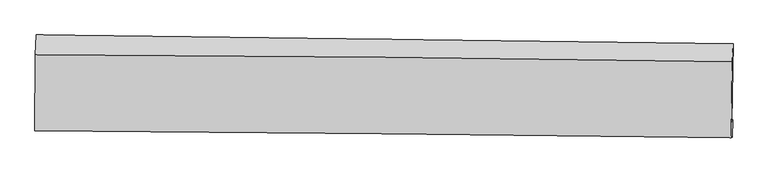
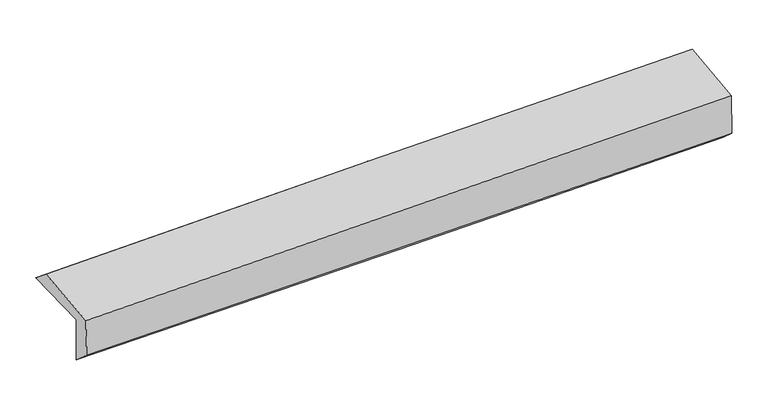
"""IFC4 building model written with IfcOpenShell, lengths in millimetres: proxy geometry."""

from ifc_helpers import new_model, si_unit, frame, origin, place, context, project, spatial, source, transform, mapped, element, save
from ifc_brep_helpers import plane_surface, spline_curve, spline_surface, advanced_brep


def generic_models_a9971b02(model_context):
    return source(origin(), model_context, "Body", "AdvancedBrep", [
        advanced_brep(
        [(-2995.330772, -1756.8629074, 1960.8009053), (-2989.0752167, -1097.7768928, 1968.6485298), (2985.2896027, -1172.7277864, 2119.5349634), (2973.5920764, -1842.1448287, 2120.7748642), (-2986.0641958, -1739.5323429, 1554.1443998), (2983.1107255, -1824.3428316, 1703.0563334), (-2991.1447936, -1916.2262029, 1704.1790897), (2977.5002777, -1976.1515716, 1837.5089653), (-2998.9389441, -1920.2794936, 2050.8093313), (2969.2435297, -1980.4924066, 2208.6290977), (-2993.892348, -1269.6276393, 2109.0186814), (2979.3002654, -1329.8759853, 2266.95263)],
        [
            (0, 1),
            (1, 2, spline_curve(3, [(-2989.0752167, -1097.7768928, 1968.6485298), (-1993.502925175, -1108.680583398, 1988.80898504), (-997.95634594, -1120.376876046, 2011.459956344), (993.498615171, -1145.35984912, 2061.753365937), (1989.406975698, -1158.64718754, 2089.397872878), (2985.2896027, -1172.7277864, 2119.5349634)], [4, 2, 4], [0.0, 9.798231575657287, 19.600530260620342])),
            (2, 3),
            (3, 0, spline_curve(3, [(2973.5920764, -1842.1448287, 2120.7748642), (1978.771466707, -1829.550392939, 2085.978693082), (983.847690353, -1816.144704959, 2055.247521462), (-1005.793344912, -1787.716725046, 2001.926240901), (-2000.510517937, -1772.695105541, 1979.332759563), (-2995.330772, -1756.8629074, 1960.8009053)], [4, 2, 4], [0.0, 9.802298684963056, 19.600530260620342])),
            (4, 0),
            (3, 5),
            (5, 4, spline_curve(3, [(2983.1107255, -1824.3428316, 1703.0563334), (1988.171770018, -1811.969728306, 1673.453667632), (993.167818426, -1798.71398637, 1646.240927703), (-996.557209156, -1770.44309124, 1596.605599425), (-1991.278231503, -1755.428670356, 1574.181027853), (-2986.0641958, -1739.5323429, 1554.1443998)], [4, 2, 4], [0.0, 9.798114926696075, 19.592164479985552])),
            (6, 4),
            (5, 7),
            (7, 6, spline_curve(3, [(2977.5002777, -1976.1515716, 1837.5089653), (1982.738715217, -1963.013256739, 1809.282091664), (987.867614347, -1951.449609186, 1784.056149046), (-1001.680833517, -1931.47579258, 1739.615346619), (-1996.358089865, -1923.064317405, 1720.397997471), (-2991.1447936, -1916.2262029, 1704.1790897)], [4, 2, 4], [0.0, 9.797050168756178, 19.590035405888557])),
            (8, 6),
            (7, 9),
            (9, 8, spline_curve(3, [(2969.2435297, -1980.4924066, 2208.6290977), (1974.441099835, -1967.366222105, 2181.463691129), (979.588135027, -1955.784666224, 2154.72670075), (-1009.806065004, -1935.714976636, 2102.120467441), (-2004.347257975, -1927.225561603, 2076.250869003), (-2998.9389441, -1920.2794936, 2050.8093313)], [4, 2, 4], [0.0, 9.7961761975991, 19.588287826197124])),
            (10, 8),
            (9, 11),
            (11, 10, spline_curve(3, [(2979.3002654, -1329.8759853, 2266.95263), (1983.587356301, -1313.42116902, 2240.062933901), (987.861561619, -1300.172688689, 2213.454250418), (-1003.202653868, -1280.092566935, 2160.809834297), (-1998.541063408, -1273.25826519, 2134.773867768), (-2993.892348, -1269.6276393, 2109.0186814)], [4, 2, 4], [0.0, 9.800423282436117, 19.596780233696915])),
            (1, 10),
            (11, 2),
        ],
        [
            spline_surface(3, 3, [[(-2995.330772, -1756.8629074, 1960.8009053), (-2000.510517948, -1772.695105507, 1979.332759693), (-1005.793344816, -1787.716724933, 2001.926240975), (983.847690257, -1816.144705072, 2055.247521389), (1978.771466565, -1829.550392787, 2085.978693081), (2973.5920764, -1842.1448287, 2120.7748642)], [(-2993.245586913, -1537.167569204, 1963.416780109), (-1998.174653713, -1551.356931487, 1982.491501475), (-1003.181011866, -1565.270108648, 2005.104146056), (987.064665232, -1592.549753097, 2057.416136294), (1982.316636266, -1605.915991117, 2087.118419656), (2977.491251808, -1619.005814626, 2120.361563917)], [(-2991.160401787, -1317.472230996, 1966.032654991), (-1995.83878944, -1330.018757455, 1985.650243329), (-1000.568678909, -1342.823492334, 2008.282051117), (990.281640216, -1368.954801093, 2059.584751178), (1985.861806043, -1382.28158937, 2088.258146279), (2981.390427292, -1395.866800474, 2119.948263683)], [(-2989.0752167, -1097.7768928, 1968.6485298), (-1993.502925205, -1108.680583434, 1988.808985111), (-997.95634596, -1120.376876049, 2011.459956198), (993.498615191, -1145.359849117, 2061.753366083), (1989.406975744, -1158.6471877, 2089.397872854), (2985.2896027, -1172.7277864, 2119.5349634)]], [4, 4], [4, 2, 4], [0.0, 2.1954339182586575], [0.0, 9.798231575657287, 19.600530260620342]),
            spline_surface(3, 3, [[(-2986.0641958, -1739.5323429, 1554.1443998), (-1991.278231378, -1755.428670265, 1574.181028013), (-996.557209223, -1770.443091225, 1596.605599359), (993.167818493, -1798.713986385, 1646.240927769), (1988.171770055, -1811.969728378, 1673.453667573), (2983.1107255, -1824.3428316, 1703.0563334)], [(-2989.153054519, -1745.309197732, 1689.696568329), (-1994.355660221, -1761.184148677, 1709.231605268), (-999.635921062, -1776.200969127, 1731.712479909), (990.061109106, -1804.524225946, 1782.576458987), (1985.038335561, -1817.829949852, 1810.962009409), (2979.937842469, -1830.276830638, 1842.295843666)], [(-2992.241913281, -1751.086052568, 1825.248736771), (-1997.433089105, -1766.939627095, 1844.282182438), (-1002.714632977, -1781.958847031, 1866.819360426), (986.954399644, -1810.334465511, 1918.911990171), (1981.90490106, -1823.690171313, 1948.470351245), (2976.764959431, -1836.210829662, 1981.535353934)], [(-2995.330772, -1756.8629074, 1960.8009053), (-2000.510517948, -1772.695105507, 1979.332759693), (-1005.793344816, -1787.716724933, 2001.926240975), (983.847690257, -1816.144705072, 2055.247521389), (1978.771466565, -1829.550392787, 2085.978693081), (2973.5920764, -1842.1448287, 2120.7748642)]], [4, 4], [4, 2, 4], [0.0, 1.3374001588701385], [0.0, 9.794049553289478, 19.592164479985552]),
            spline_surface(3, 3, [[(-2991.1447936, -1916.2262029, 1704.1790897), (-1996.35808972, -1923.064317441, 1720.397997607), (-1001.680833579, -1931.475792648, 1739.615346776), (987.867614409, -1951.449609118, 1784.056148889), (1982.738715351, -1963.013256808, 1809.282091617), (2977.5002777, -1976.1515716, 1837.5089653)], [(-2989.451261016, -1857.328249584, 1654.167526379), (-1994.664803622, -1867.1857684, 1671.659007721), (-999.9729588, -1877.798225498, 1691.945430977), (989.634349097, -1900.537734865, 1738.117741856), (1984.549733587, -1912.665413987, 1764.005950288), (2979.370426967, -1925.548658256, 1792.691421352)], [(-2987.757728384, -1798.430296216, 1604.155963121), (-1992.971517476, -1811.307219306, 1622.920017899), (-998.265084002, -1824.120658375, 1644.275515158), (991.401083805, -1849.625860638, 1692.179334802), (1986.36075182, -1862.317571198, 1718.729808902), (2981.240576233, -1874.945744944, 1747.873877348)], [(-2986.0641958, -1739.5323429, 1554.1443998), (-1991.278231378, -1755.428670265, 1574.181028013), (-996.557209223, -1770.443091225, 1596.605599359), (993.167818493, -1798.713986385, 1646.240927769), (1988.171770055, -1811.969728378, 1673.453667573), (2983.1107255, -1824.3428316, 1703.0563334)]], [4, 4], [4, 2, 4], [0.0, 0.6909625455529055], [0.0, 9.79298523713238, 19.590035405888557]),
            spline_surface(3, 3, [[(-2998.9389441, -1920.2794936, 2050.8093313), (-2004.347258051, -1927.225561499, 2076.250869112), (-1009.806064926, -1935.714976685, 2102.120467416), (979.58813495, -1955.784666175, 2154.726700775), (1974.441099726, -1967.366221989, 2181.463691277), (2969.2435297, -1980.4924066, 2208.6290977)], [(-2996.340893926, -1918.928396701, 1935.265917438), (-2001.684201932, -1925.838480147, 1957.633245282), (-1007.097654494, -1934.301915346, 1981.285427192), (982.347961419, -1954.339647163, 2031.169850136), (1977.206971601, -1965.915233597, 2057.40315805), (2971.995779033, -1979.045461602, 2084.922386893)], [(-2993.742843774, -1917.577299799, 1819.722503562), (-1999.021145838, -1924.451398793, 1839.015621437), (-1004.389244011, -1932.888853987, 1860.450387), (985.107787939, -1952.894628131, 1907.612999528), (1979.972843477, -1964.464245199, 1933.342624844), (2974.748028367, -1977.598516598, 1961.215676107)], [(-2991.1447936, -1916.2262029, 1704.1790897), (-1996.35808972, -1923.064317441, 1720.397997607), (-1001.680833579, -1931.475792648, 1739.615346776), (987.867614409, -1951.449609118, 1784.056148889), (1982.738715351, -1963.013256808, 1809.282091617), (2977.5002777, -1976.1515716, 1837.5089653)]], [4, 4], [4, 2, 4], [0.0, 1.2031048018941903], [0.0, 9.792111628598024, 19.588287826197124]),
            spline_surface(3, 3, [[(-2993.892348, -1269.6276393, 2109.0186814), (-1998.54106334, -1273.258265128, 2134.773867833), (-1003.202653705, -1280.092566899, 2160.809834162), (987.861561456, -1300.172688726, 2213.454250553), (1983.58735628, -1313.421168992, 2240.062933754), (2979.3002654, -1329.8759853, 2266.95263)], [(-2995.574546695, -1486.511590714, 2089.615564709), (-2000.476461572, -1491.247363898, 2115.266201602), (-1005.403790768, -1498.633370167, 2141.246711901), (985.103752631, -1518.710014549, 2193.878400614), (1980.538604113, -1531.402853323, 2220.529852932), (2975.948020184, -1546.748125732, 2247.51145257)], [(-2997.256745405, -1703.395542186, 2070.212447991), (-2002.411859819, -1709.236462728, 2095.758535343), (-1007.604927863, -1717.174173416, 2121.683589677), (982.345943774, -1737.247340352, 2174.302550714), (1977.489851893, -1749.384537658, 2200.996772099), (2972.595774916, -1763.620266168, 2228.07027513)], [(-2998.9389441, -1920.2794936, 2050.8093313), (-2004.347258051, -1927.225561499, 2076.250869112), (-1009.806064926, -1935.714976685, 2102.120467416), (979.58813495, -1955.784666175, 2154.726700775), (1974.441099726, -1967.366221989, 2181.463691277), (2969.2435297, -1980.4924066, 2208.6290977)]], [4, 4], [4, 2, 4], [0.0, 2.159719664870227], [0.0, 9.796356951260798, 19.596780233696915]),
            spline_surface(3, 3, [[(-2989.0752167, -1097.7768928, 1968.6485298), (-1993.502925205, -1108.680583434, 1988.808985111), (-997.95634596, -1120.376876049, 2011.459956198), (993.498615191, -1145.359849117, 2061.753366083), (1989.406975744, -1158.6471877, 2089.397872854), (2985.2896027, -1172.7277864, 2119.5349634)], [(-2990.680927131, -1155.060474966, 2015.438580336), (-1995.182304582, -1163.539810664, 2037.463946021), (-999.705115218, -1173.615439653, 2061.243248851), (991.61959727, -1196.964128974, 2112.320327572), (1987.467102594, -1210.238514776, 2139.619559821), (2983.293156938, -1225.110519346, 2168.674185601)], [(-2992.286637569, -1212.344057134, 2062.228630864), (-1996.861683964, -1218.399037897, 2086.118906923), (-1001.453884447, -1226.854003295, 2111.026541508), (989.740579377, -1248.568408869, 2162.887289064), (1985.52722943, -1261.829841915, 2189.841246787), (2981.296711162, -1277.493252354, 2217.813407799)], [(-2993.892348, -1269.6276393, 2109.0186814), (-1998.54106334, -1273.258265128, 2134.773867833), (-1003.202653705, -1280.092566899, 2160.809834162), (987.861561456, -1300.172688726, 2213.454250553), (1983.58735628, -1313.421168992, 2240.062933754), (2979.3002654, -1329.8759853, 2266.95263)]], [4, 4], [4, 2, 4], [0.0, 0.7144354059674644], [0.0, 9.8014062610567, 19.606880949186813]),
            plane_surface(frame((2978.0060796, -1687.6225684, 2042.742809), z_axis=(0.9996052977180139, -0.0174264868188256, 0.022035569682551052), x_axis=(0.022241156548302294, 0.011692883280005771, -0.9996842538701879))),
            plane_surface(frame((-2992.4077117, -1616.7175798, 1891.2668229), z_axis=(-0.9997022878038603, 0.009754725114431087, -0.022364728875395586), x_axis=(-0.009490157662924896, -0.9998840918804357, -0.01190544883527648))),
        ],
        [
            (0, [[1, 2, 3, 4]]),
            (1, [[5, -4, 6, 7]]),
            (2, [[8, -7, 9, 10]]),
            (3, [[11, -10, 12, 13]]),
            (4, [[14, -13, 15, 16]]),
            (5, [[17, -16, 18, -2]]),
            (6, [[-12, -9, -6, -3, -18, -15]]),
            (7, [[-1, -5, -8, -11, -14, -17]]),
        ],
    ),
    ])


if __name__ == "__main__":
    model = new_model("IFC4")
    model_context = context("Model", 3, world=origin())
    ifc_project = project(units=[si_unit("LENGTHUNIT", "METRE", prefix="MILLI")], contexts=[model_context])
    site = spatial("IfcSite", under=ifc_project)
    building = spatial("IfcBuilding", under=site)
    placement = place(None, origin())
    generic_models_shape = generic_models_a9971b02(model_context)
    element("IfcBuildingElementProxy", 1, Name="Generic Models", at=placement, inside=building, context=model_context, shape_type="MappedRepresentation", body=[
        mapped(generic_models_shape, transform((0.0, 0.0, 0.0), x_axis=(1.0, 0.0, 0.0), y_axis=(0.0, 1.0, 0.0), z_axis=(0.0, 0.0, 1.0))),
    ])
    save(model, "model.ifc")
